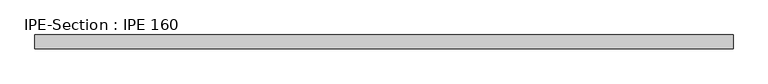
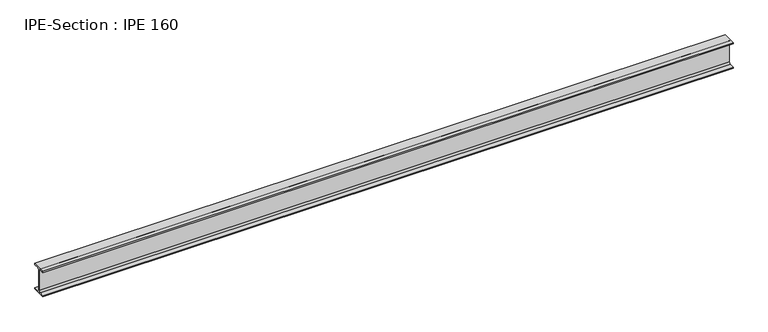
"""IFC4 building model written with IfcOpenShell, lengths in millimetres: beam geometry, IPE-Section : IPE 160."""

from ifc_helpers import new_model, si_unit, point, frame, frame_2d, origin, place, context, project, spatial, polyline, circle_curve, trimmed, segment, composite_curve, outline, extrude, source, transform, mapped, element, save


def ipe_section_ipe_160_91e394d2(model_context):
    return source(origin(), model_context, "Body", "SweptSolid", [
        extrude(outline(composite_curve([segment(polyline([(41.0, -72.6), (41.0, -80.0), (-41.0, -80.0), (-41.0, -72.6), (-11.5, -72.6)]), True, "CONTINUOUS"), segment(trimmed(circle_curve(frame_2d((-11.5, -63.6)), 9.0), [point((-11.5, -72.6))], [point((-2.5, -63.6))], True, "CARTESIAN"), True, "CONTINUOUS"), segment(polyline([(-2.5, -63.6), (-2.5, 63.6)]), True, "CONTINUOUS"), segment(trimmed(circle_curve(frame_2d((-11.5, 63.6)), 9.0), [point((-2.5, 63.6))], [point((-11.5, 72.6))], True, "CARTESIAN"), True, "CONTINUOUS"), segment(polyline([(-11.5, 72.6), (-41.0, 72.6), (-41.0, 80.0), (41.0, 80.0), (41.0, 72.6), (11.5, 72.6)]), True, "CONTINUOUS"), segment(trimmed(circle_curve(frame_2d((11.5, 63.6)), 9.0), [point((11.5, 72.6))], [point((2.5, 63.6))], True, "CARTESIAN"), True, "CONTINUOUS"), segment(polyline([(2.5, 63.6), (2.5, -63.6)]), True, "CONTINUOUS"), segment(trimmed(circle_curve(frame_2d((11.5, -63.6)), 9.0), [point((2.5, -63.6))], [point((11.5, -72.6))], True, "CARTESIAN"), True, "CONTINUOUS"), segment(polyline([(11.5, -72.6), (41.0, -72.6)]), True, "CONTINUOUS")], self_intersect=False)), frame((-2034.2166667, 0.0, 0.0), z_axis=(1.0, 0.0, 0.0), x_axis=(0.0, 1.0, 0.0)), (0.0, 0.0, 1.0), 4109.4333327),
    ])


if __name__ == "__main__":
    model = new_model("IFC4")
    model_context = context("Model", 3, world=origin())
    ifc_project = project(units=[si_unit("LENGTHUNIT", "METRE", prefix="MILLI")], contexts=[model_context])
    site = spatial("IfcSite", under=ifc_project)
    building = spatial("IfcBuilding", under=site)
    placement = place(None, origin())
    ipe_section_ipe_160_shape = ipe_section_ipe_160_91e394d2(model_context)
    element("IfcBeam", 1, ObjectType="IPE-Section : IPE 160", at=placement, inside=building, context=model_context, shape_type="MappedRepresentation", body=[
        mapped(ipe_section_ipe_160_shape, transform((0.0, 0.0, 0.0), x_axis=(1.0, 0.0, 0.0), y_axis=(0.0, 1.0, 0.0), z_axis=(0.0, 0.0, 1.0))),
    ])
    save(model, "model.ifc")
